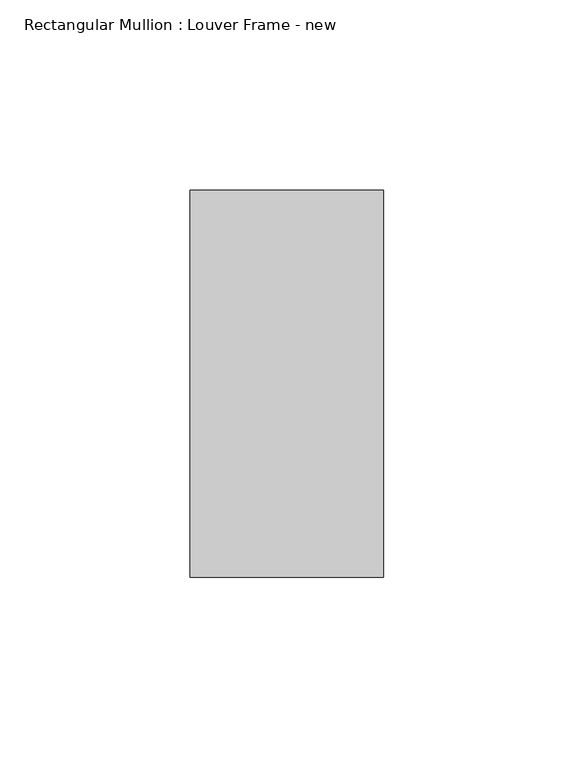
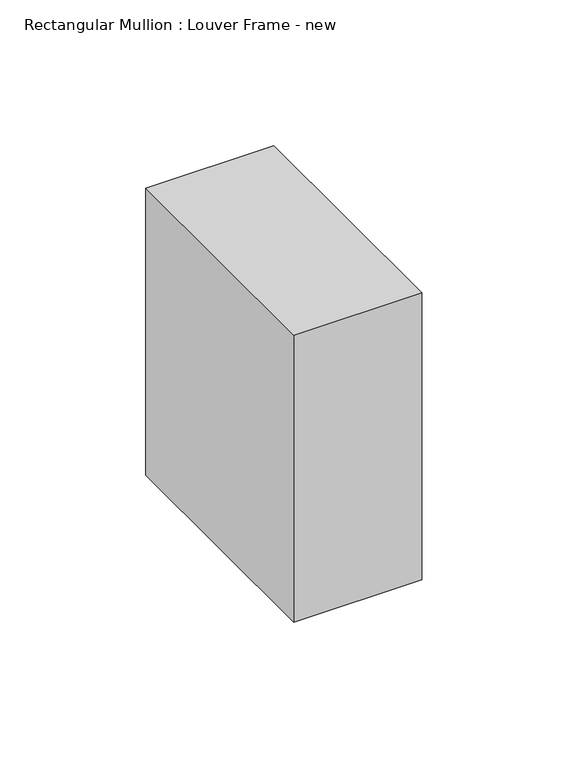
"""IFC4 building model written with IfcOpenShell, lengths in millimetres: member geometry, Rectangular Mullion : Louver Frame - new."""

from ifc_helpers import new_model, si_unit, frame, origin, place, context, project, spatial, polyline, outline, extrude, source, transform, mapped, element, save


def rectangular_mullion_louver_frame_new_e865e7e0(model_context):
    return source(origin(), model_context, "Body", "SweptSolid", [
        extrude(outline(polyline([(0.0, 50.8), (0.0, -50.8), (-50.8, -50.8), (-50.8, 50.8), (0.0, 50.8)])), frame((0.0, 0.0, -120.253125), z_axis=(0.0, 0.0, 1.0), x_axis=(1.0, 0.0, 0.0)), (0.0, 0.0, 1.0), 120.253125),
    ])


if __name__ == "__main__":
    model = new_model("IFC4")
    model_context = context("Model", 3, world=origin())
    ifc_project = project(units=[si_unit("LENGTHUNIT", "METRE", prefix="MILLI")], contexts=[model_context])
    site = spatial("IfcSite", under=ifc_project)
    building = spatial("IfcBuilding", under=site)
    placement = place(None, origin())
    rectangular_mullion_louver_frame_new_shape = rectangular_mullion_louver_frame_new_e865e7e0(model_context)
    element("IfcMember", 1, ObjectType="Rectangular Mullion : Louver Frame - new", at=placement, inside=building, context=model_context, shape_type="MappedRepresentation", body=[
        mapped(rectangular_mullion_louver_frame_new_shape, transform((0.0, 0.0, 0.0), x_axis=(1.0, 0.0, 0.0), y_axis=(0.0, 1.0, 0.0), z_axis=(0.0, 0.0, 1.0))),
    ])
    save(model, "model.ifc")
